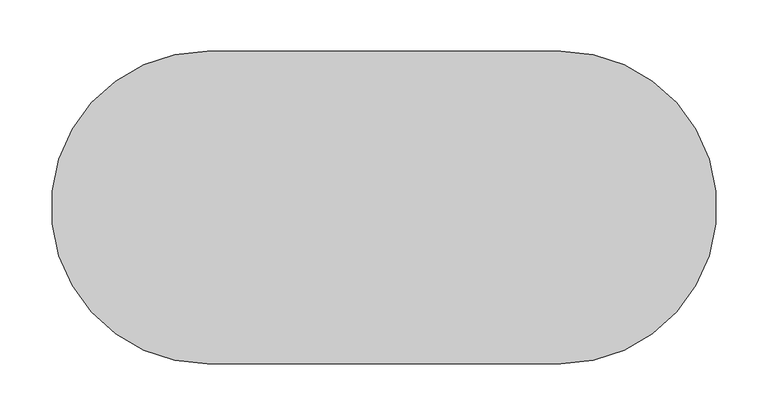
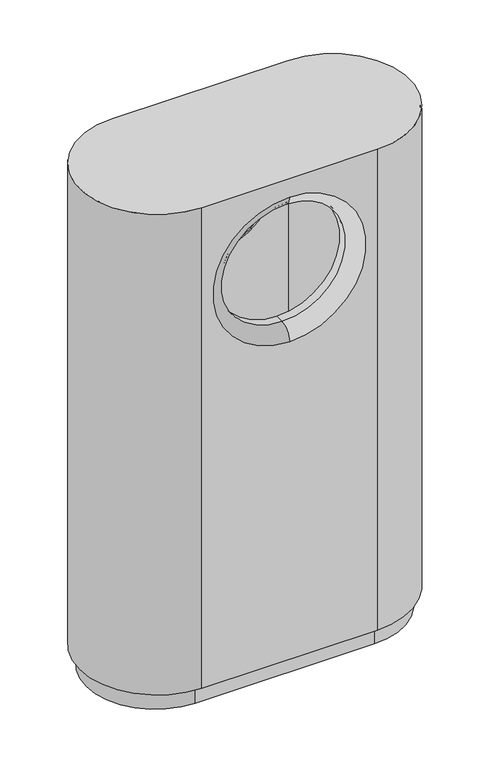
"""IFC4 building model written with IfcOpenShell, lengths in millimetres: furniture geometry."""

from ifc_helpers import new_model, si_unit, point, frame, frame_2d, origin, origin_with_axes, place, context, project, spatial, polyline, circle_curve, ellipse_curve, trimmed, segment, composite_curve, outline, extrude, source, transform, mapped, element, save
from ifc_brep_helpers import plane_surface, cylinder_surface, revolved_surface, advanced_brep


def furniture_9881325f(model_context):
    return source(origin(), model_context, "Body", "SolidModel", [
        advanced_brep(
        [(-172.5, -150.0, 1037.0), (-172.5, 150.0, 1037.0), (172.5, 150.0, 1037.0), (172.5, -150.0, 1037.0), (172.5, 152.5, 1040.0), (-172.5, 152.5, 1040.0), (-172.5, -152.5, 1040.0), (172.5, -152.5, 1040.0), (172.5, 152.5, 40.0), (172.5, -152.5, 40.0), (-172.5, -152.5, 40.0), (-172.5, 152.5, 40.0), (0.0, 152.5, 1001.1639713), (0.0, 152.5, 700.7512999), (0.0, -152.5, 700.7512999), (0.0, -152.5, 1001.1639713), (-172.5, -150.0, 43.0), (-172.5, 150.0, 43.0), (172.5, 150.0, 43.0), (0.0, 150.0, 699.2512999), (0.0, 150.0, 1002.6639713), (0.0, 109.2995316, 975.1639713), (0.0, 109.2995316, 977.6639713), (-126.7063357, 109.2995316, 850.9576356), (0.0, 109.2995316, 724.2512999), (0.0, 109.2995316, 726.7512999), (126.7063357, 109.2995316, 850.9576356), (172.5, -150.0, 43.0), (0.0, -150.0, 1002.6639713), (0.0, -150.0, 699.2512999), (0.0, -109.2995316, 975.1639713), (0.0, -109.2995316, 977.6639713), (126.7063357, -109.2995316, 850.9576356), (0.0, -109.2995316, 724.2512999), (0.0, -109.2995316, 726.7512999), (-126.7063357, -109.2995316, 850.9576356), (0.0, -126.5, 726.7512999), (0.0, -126.5, 975.1639713), (0.0, -125.0, 724.2512999), (0.0, -125.0, 977.6639713), (0.0, 126.5, 726.7512999), (0.0, 126.5, 975.1639713), (0.0, 125.0, 977.6639713), (0.0, 125.0, 724.2512999)],
        [
            (0, 1, circle_curve(frame((-172.5, 0.0, 1037.0), z_axis=(0.0, 0.0, -1.0), x_axis=(-1.0, 0.0, 0.0)), 150.0)),
            (1, 2),
            (2, 3, circle_curve(frame((172.5, 0.0, 1037.0), z_axis=(0.0, 0.0, -1.0), x_axis=(-1.0, 0.0, 0.0)), 150.0)),
            (3, 0),
            (4, 5),
            (5, 6, circle_curve(frame((-172.5, 0.0, 1040.0), z_axis=(0.0, 0.0, 1.0), x_axis=(-1.0, 0.0, 0.0)), 152.5)),
            (6, 7),
            (7, 4, circle_curve(frame((172.5, 0.0, 1040.0), z_axis=(0.0, 0.0, 1.0), x_axis=(-1.0, 0.0, 0.0)), 152.5)),
            (8, 9, circle_curve(frame((172.5, 0.0, 40.0), z_axis=(0.0, 0.0, -1.0), x_axis=(-1.0, 0.0, 0.0)), 152.5)),
            (9, 10),
            (10, 11, circle_curve(frame((-172.5, 0.0, 40.0), z_axis=(0.0, 0.0, -1.0), x_axis=(-1.0, 0.0, 0.0)), 152.5)),
            (11, 8),
            (4, 8),
            (11, 5),
            (12, 13, circle_curve(frame((0.0, 152.5, 850.9576356), z_axis=(0.0, -1.0, 0.0), x_axis=(0.0, 0.0, 1.0)), 150.2063357)),
            (13, 12, circle_curve(frame((0.0, 152.5, 850.9576356), z_axis=(0.0, -1.0, 0.0), x_axis=(0.0, 0.0, 1.0)), 150.2063357)),
            (6, 10),
            (9, 7),
            (14, 15, circle_curve(frame((0.0, -152.5, 850.9576356), z_axis=(0.0, 1.0, 0.0), x_axis=(0.0, 0.0, 1.0)), 150.2063357)),
            (15, 14, circle_curve(frame((0.0, -152.5, 850.9576356), z_axis=(0.0, 1.0, 0.0), x_axis=(0.0, 0.0, 1.0)), 150.2063357)),
            (0, 16),
            (16, 17, circle_curve(frame((-172.5, 0.0, 43.0), z_axis=(0.0, 0.0, -1.0), x_axis=(-1.0, 0.0, 0.0)), 150.0)),
            (17, 1),
            (17, 18),
            (18, 2),
            (19, 20, circle_curve(frame((0.0, 150.0, 850.9576356), z_axis=(0.0, 1.0, 0.0), x_axis=(0.0, 0.0, 1.0)), 151.7063357)),
            (20, 19, circle_curve(frame((0.0, 150.0, 850.9576356), z_axis=(0.0, 1.0, 0.0), x_axis=(0.0, 0.0, 1.0)), 151.7063357)),
            (21, 22),
            (22, 23, circle_curve(frame((0.0, 109.2995316, 850.9576356), z_axis=(0.0, -1.0, 0.0), x_axis=(0.0, 0.0, 1.0)), 126.7063357)),
            (23, 24, circle_curve(frame((0.0, 109.2995316, 850.9576356), z_axis=(0.0, -1.0, 0.0), x_axis=(0.0, 0.0, 1.0)), 126.7063357)),
            (24, 25),
            (25, 21, circle_curve(frame((0.0, 109.2995316, 850.9576356), z_axis=(0.0, 1.0, 0.0), x_axis=(0.0, 0.0, 1.0)), 124.2063357)),
            (21, 25, circle_curve(frame((0.0, 109.2995316, 850.9576356), z_axis=(0.0, 1.0, 0.0), x_axis=(0.0, 0.0, 1.0)), 124.2063357)),
            (24, 26, circle_curve(frame((0.0, 109.2995316, 850.9576356), z_axis=(0.0, -1.0, 0.0), x_axis=(0.0, 0.0, 1.0)), 126.7063357)),
            (26, 22, circle_curve(frame((0.0, 109.2995316, 850.9576356), z_axis=(0.0, -1.0, 0.0), x_axis=(0.0, 0.0, 1.0)), 126.7063357)),
            (18, 27, circle_curve(frame((172.5, 0.0, 43.0), z_axis=(0.0, 0.0, -1.0), x_axis=(-1.0, 0.0, 0.0)), 150.0)),
            (27, 3),
            (27, 16),
            (28, 29, circle_curve(frame((0.0, -150.0, 850.9576356), z_axis=(0.0, -1.0, 0.0), x_axis=(0.0, 0.0, 1.0)), 151.7063357)),
            (29, 28, circle_curve(frame((0.0, -150.0, 850.9576356), z_axis=(0.0, -1.0, 0.0), x_axis=(0.0, 0.0, 1.0)), 151.7063357)),
            (30, 31),
            (31, 32, circle_curve(frame((0.0, -109.2995316, 850.9576356), z_axis=(0.0, 1.0, 0.0), x_axis=(0.0, 0.0, 1.0)), 126.7063357)),
            (32, 33, circle_curve(frame((0.0, -109.2995316, 850.9576356), z_axis=(0.0, 1.0, 0.0), x_axis=(0.0, 0.0, 1.0)), 126.7063357)),
            (33, 34),
            (34, 30, circle_curve(frame((0.0, -109.2995316, 850.9576356), z_axis=(0.0, -1.0, 0.0), x_axis=(0.0, 0.0, 1.0)), 124.2063357)),
            (30, 34, circle_curve(frame((0.0, -109.2995316, 850.9576356), z_axis=(0.0, -1.0, 0.0), x_axis=(0.0, 0.0, 1.0)), 124.2063357)),
            (33, 35, circle_curve(frame((0.0, -109.2995316, 850.9576356), z_axis=(0.0, 1.0, 0.0), x_axis=(0.0, 0.0, 1.0)), 126.7063357)),
            (35, 31, circle_curve(frame((0.0, -109.2995316, 850.9576356), z_axis=(0.0, 1.0, 0.0), x_axis=(0.0, 0.0, 1.0)), 126.7063357)),
            (36, 34),
            (30, 37),
            (37, 36, circle_curve(frame((0.0, -126.5, 850.9576356), z_axis=(0.0, -1.0, 0.0), x_axis=(0.0, 0.0, 1.0)), 124.2063357)),
            (36, 37, circle_curve(frame((0.0, -126.5, 850.9576356), z_axis=(0.0, -1.0, 0.0), x_axis=(0.0, 0.0, 1.0)), 124.2063357)),
            (37, 15, circle_curve(frame((0.0, -126.5, 1001.1639713), z_axis=(-1.0, 0.0, 0.0), x_axis=(0.0, 1.0, 0.0)), 26.0)),
            (14, 36, circle_curve(frame((0.0, -126.5, 700.7512999), z_axis=(-1.0, 0.0, 0.0), x_axis=(0.0, 1.0, 0.0)), 26.0)),
            (38, 39, circle_curve(frame((0.0, -125.0, 850.9576356), z_axis=(0.0, 1.0, 0.0), x_axis=(0.0, 0.0, 1.0)), 126.7063357)),
            (39, 31),
            (33, 38),
            (39, 38, circle_curve(frame((0.0, -125.0, 850.9576356), z_axis=(0.0, 1.0, 0.0), x_axis=(0.0, 0.0, 1.0)), 126.7063357)),
            (38, 29, circle_curve(frame((0.0, -125.0, 699.2512999), z_axis=(1.0, 0.0, 0.0), x_axis=(0.0, -1.0, 0.0)), 25.0)),
            (28, 39, circle_curve(frame((0.0, -125.0, 1002.6639713), z_axis=(1.0, 0.0, 0.0), x_axis=(0.0, -1.0, 0.0)), 25.0)),
            (25, 40),
            (40, 41, circle_curve(frame((0.0, 126.5, 850.9576356), z_axis=(0.0, 1.0, 0.0), x_axis=(0.0, 0.0, 1.0)), 124.2063357)),
            (41, 21),
            (41, 40, circle_curve(frame((0.0, 126.5, 850.9576356), z_axis=(0.0, 1.0, 0.0), x_axis=(0.0, 0.0, 1.0)), 124.2063357)),
            (40, 13, circle_curve(frame((0.0, 126.5, 700.7512999), z_axis=(-1.0, 0.0, 0.0), x_axis=(0.0, -1.0, 0.0)), 26.0)),
            (12, 41, circle_curve(frame((0.0, 126.5, 1001.1639713), z_axis=(-1.0, 0.0, 0.0), x_axis=(0.0, -1.0, 0.0)), 26.0)),
            (42, 43, circle_curve(frame((0.0, 125.0, 850.9576356), z_axis=(0.0, -1.0, 0.0), x_axis=(0.0, 0.0, 1.0)), 126.7063357)),
            (43, 24),
            (22, 42),
            (43, 42, circle_curve(frame((0.0, 125.0, 850.9576356), z_axis=(0.0, -1.0, 0.0), x_axis=(0.0, 0.0, 1.0)), 126.7063357)),
            (42, 20, circle_curve(frame((0.0, 125.0, 1002.6639713), z_axis=(1.0, 0.0, 0.0), x_axis=(0.0, 1.0, 0.0)), 25.0)),
            (19, 43, circle_curve(frame((0.0, 125.0, 699.2512999), z_axis=(1.0, 0.0, 0.0), x_axis=(0.0, 1.0, 0.0)), 25.0)),
        ],
        [
            plane_surface(frame((-322.5, 0.0, 1037.0), z_axis=(0.0, 0.0, -1.0), x_axis=(0.0, 1.0, 0.0))),
            plane_surface(frame((-222.5, 152.5, 1040.0), z_axis=(0.0, 0.0, 1.0), x_axis=(-1.0, 0.0, 0.0))),
            plane_surface(frame((-222.5, 152.5, 40.0), z_axis=(0.0, 0.0, -1.0), x_axis=(1.0, 0.0, 0.0))),
            plane_surface(frame((172.5, 152.5, 1040.0), z_axis=(0.0, 1.0, 0.0), x_axis=(0.0, 0.0, -1.0))),
            plane_surface(frame((-172.5, -152.5, 1040.0), z_axis=(0.0, -1.0, 0.0), x_axis=(0.0, 0.0, -1.0))),
            cylinder_surface(frame((-172.5, 0.0, 40.0), z_axis=(0.0, 0.0, 1.0), x_axis=(-1.0, 0.0, 0.0)), 152.5),
            cylinder_surface(frame((172.5, 0.0, 40.0), z_axis=(0.0, 0.0, 1.0), x_axis=(-1.0, 0.0, 0.0)), 152.5),
            revolved_surface(polyline([(-322.5, 0.0, 43.0), (-322.5, 0.0, 1037.0)]), (-172.5, 0.0, 40.0), (0.0, 0.0, -1.0)),
            plane_surface(frame((-172.5, 150.0, 1040.0), z_axis=(0.0, -1.0, 0.0), x_axis=(0.0, 0.0, -1.0))),
            plane_surface(frame((-126.7063357, 109.2995316, 1040.0), z_axis=(0.0, -1.0, 0.0), x_axis=(0.0, 0.0, -1.0))),
            plane_surface(frame((0.0, 109.2995316, 1040.0), z_axis=(0.0, -1.0, 0.0), x_axis=(0.0, 0.0, -1.0))),
            revolved_surface(polyline([(22.5, 0.0, 43.0), (22.5, 0.0, 1037.0)]), (172.5, 0.0, 40.0), (0.0, 0.0, -1.0)),
            plane_surface(frame((172.5, -150.0, 1040.0), z_axis=(0.0, 1.0, 0.0), x_axis=(0.0, 0.0, -1.0))),
            plane_surface(frame((126.7063357, -109.2995316, 1040.0), z_axis=(0.0, 1.0, 0.0), x_axis=(0.0, 0.0, -1.0))),
            plane_surface(frame((0.0, -109.2995316, 1040.0), z_axis=(0.0, 1.0, 0.0), x_axis=(0.0, 0.0, -1.0))),
            revolved_surface(polyline([(0.0, -126.5, 975.1639713), (0.0, -109.2995316, 975.1639713)]), (0.0, -98.5603615, 850.9576356), (0.0, -1.0, 0.0)),
            revolved_surface(trimmed(ellipse_curve(frame((0.0, -126.5, 1001.1639713), z_axis=(1.0, 0.0, 0.0), x_axis=(0.0, 1.0, 0.0)), 26.0, 26.0), [point((0.0, -152.5, 1001.1639713))], [point((0.0, -126.5, 975.1639713))], True, "CARTESIAN"), (0.0, -98.5603615, 850.9576356), (0.0, -1.0, 0.0)),
            cylinder_surface(frame((0.0, -98.5603615, 850.9576356), z_axis=(0.0, -1.0, 0.0), x_axis=(0.0, 0.0, 1.0)), 126.7063357),
            revolved_surface(trimmed(ellipse_curve(frame((0.0, -125.0, 1002.6639713), z_axis=(-1.0, 0.0, 0.0), x_axis=(0.0, -1.0, 0.0)), 25.0, 25.0), [point((0.0, -125.0, 977.6639713))], [point((0.0, -150.0, 1002.6639713))], True, "CARTESIAN"), (0.0, -98.5603615, 850.9576356), (0.0, -1.0, 0.0)),
            revolved_surface(polyline([(0.0, 109.2995316, 975.1639713), (0.0, 126.5, 975.1639713)]), (0.0, 98.5603615, 850.9576356), (0.0, -1.0, 0.0)),
            revolved_surface(trimmed(ellipse_curve(frame((0.0, 126.5, 1001.1639713), z_axis=(1.0, 0.0, 0.0), x_axis=(0.0, -1.0, 0.0)), 26.0, 26.0), [point((0.0, 126.5, 975.1639713))], [point((0.0, 152.5, 1001.1639713))], True, "CARTESIAN"), (0.0, 98.5603615, 850.9576356), (0.0, -1.0, 0.0)),
            cylinder_surface(frame((0.0, 98.5603615, 850.9576356), z_axis=(0.0, -1.0, 0.0), x_axis=(0.0, 0.0, 1.0)), 126.7063357),
            revolved_surface(trimmed(ellipse_curve(frame((0.0, 125.0, 1002.6639713), z_axis=(-1.0, 0.0, 0.0), x_axis=(0.0, 1.0, 0.0)), 25.0, 25.0), [point((0.0, 150.0, 1002.6639713))], [point((0.0, 125.0, 977.6639713))], True, "CARTESIAN"), (0.0, 98.5603615, 850.9576356), (0.0, -1.0, 0.0)),
            plane_surface(frame((-157.041019, -150.0, 43.0), z_axis=(0.0, 0.0, 1.0), x_axis=(0.0, 1.0, 0.0))),
        ],
        [
            (0, [[1, 2, 3, 4]]),
            (1, [[5, 6, 7, 8]]),
            (2, [[9, 10, 11, 12]]),
            (3, [[-5, 13, -12, 14], [15, 16]]),
            (4, [[-7, 17, -10, 18], [19, 20]]),
            (5, [[-6, -14, -11, -17]]),
            (6, [[-8, -18, -9, -13]]),
            (7, [[-1, 21, 22, 23]]),
            (8, [[24, 25, -2, -23], [26, 27]]),
            (9, [[28, 29, 30, 31, 32]]),
            (10, [[-28, 33, -31, 34, 35]]),
            (11, [[-3, -25, 36, 37]]),
            (12, [[38, -21, -4, -37], [39, 40]]),
            (13, [[41, 42, 43, 44, 45]]),
            (14, [[-41, 46, -44, 47, 48]]),
            (15, [[49, -46, 50, 51]]),
            (15, [[-49, 52, -50, -45]]),
            (16, [[-51, 53, -19, 54]]),
            (16, [[-52, -54, -20, -53]]),
            (17, [[55, 56, -48, -47, 57]]),
            (17, [[58, -57, -43, -42, -56]]),
            (18, [[-55, 59, -39, 60]]),
            (18, [[-58, -60, -40, -59]]),
            (19, [[61, 62, 63, -32]]),
            (19, [[-61, -33, -63, 64]]),
            (20, [[-62, 65, -15, 66]]),
            (20, [[-64, -66, -16, -65]]),
            (21, [[67, 68, -30, -29, 69]]),
            (21, [[70, -69, -35, -34, -68]]),
            (22, [[-67, 71, -26, 72]]),
            (22, [[-70, -72, -27, -71]]),
            (23, [[-22, -38, -36, -24]]),
        ],
    ),
        extrude(outline(composite_curve([segment(trimmed(circle_curve(frame_2d((-176.0, 0.0)), 136.0), [point((-176.0, -136.0))], [point((-176.0, 136.0))], False, "CARTESIAN"), True, "CONTINUOUS"), segment(polyline([(-176.0, 136.0), (176.0, 136.0)]), True, "CONTINUOUS"), segment(trimmed(circle_curve(frame_2d((176.0, 0.0)), 136.0), [point((176.0, 136.0))], [point((176.0, -136.0))], False, "CARTESIAN"), True, "CONTINUOUS"), segment(polyline([(176.0, -136.0), (-176.0, -136.0)]), True, "CONTINUOUS")], self_intersect=False)), origin_with_axes(), (0.0, 0.0, 1.0), 40.0),
    ])


if __name__ == "__main__":
    model = new_model("IFC4")
    model_context = context("Model", 3, world=origin())
    ifc_project = project(units=[si_unit("LENGTHUNIT", "METRE", prefix="MILLI")], contexts=[model_context])
    site = spatial("IfcSite", under=ifc_project)
    building = spatial("IfcBuilding", under=site)
    placement = place(None, origin())
    furniture_shape = furniture_9881325f(model_context)
    element("IfcFurniture", 1, at=placement, inside=building, context=model_context, shape_type="MappedRepresentation", body=[
        mapped(furniture_shape, transform((0.0, 0.0, 0.0), x_axis=(1.0, 0.0, 0.0), y_axis=(0.0, 1.0, 0.0), z_axis=(0.0, 0.0, 1.0))),
    ])
    save(model, "model.ifc")
